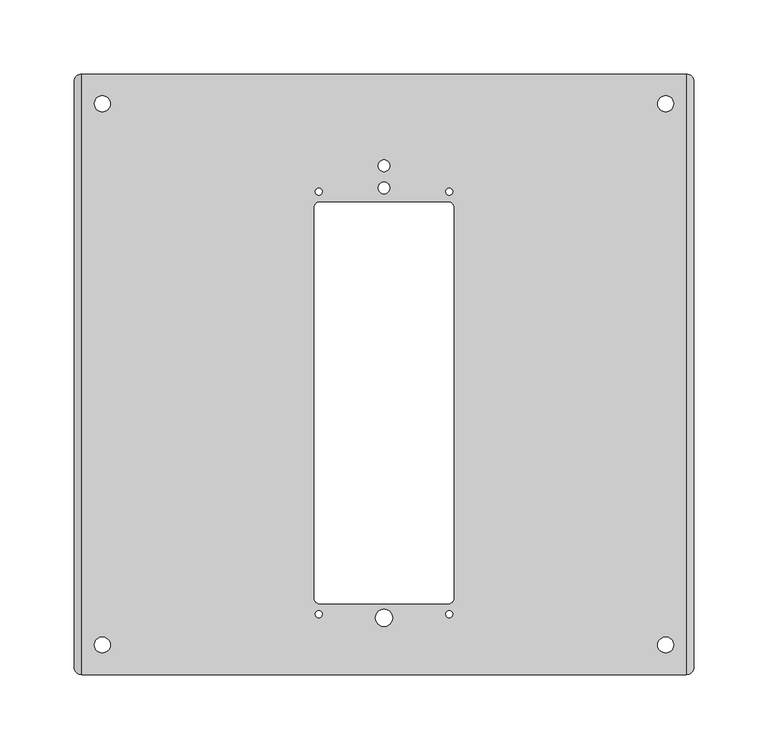
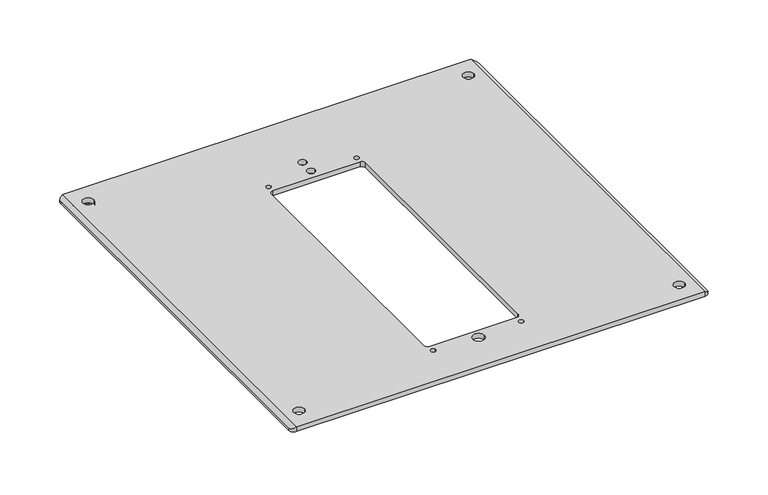
"""IFC4 building model written with IfcOpenShell, lengths in millimetres: proxy geometry."""

from ifc_helpers import new_model, si_unit, point, frame, frame_2d, origin, place, context, project, spatial, polyline, circle_curve, ellipse_curve, trimmed, segment, composite_curve, outline, extrude, source, transform, mapped, element, save
from ifc_brep_helpers import plane_surface, cylinder_surface, revolved_surface, advanced_brep


def electrical_fixtures_a9a97a4d(model_context):
    return source(origin(), model_context, "Body", "SolidModel", [
        extrude(outline(composite_curve([segment(polyline([(-186.7944942, 399.5), (187.1544247, 399.5)]), True, "CONTINUOUS"), segment(trimmed(circle_curve(frame_2d((187.1544247, 382.6544246)), 16.8455754), [point((187.1544247, 399.5))], [point((204.0000001, 382.6544246))], False, "CARTESIAN"), True, "CONTINUOUS"), segment(polyline([(204.0000001, 382.6544246), (204.0000001, 7.75), (197.0000001, 7.75), (197.0000001, 382.58488)]), True, "CONTINUOUS"), segment(trimmed(circle_curve(frame_2d((187.0848801, 382.58488)), 9.91512), [point((197.0000001, 382.58488))], [point((187.0848801, 392.5))], True, "CARTESIAN"), True, "CONTINUOUS"), segment(polyline([(187.0848801, 392.5), (-187.2593153, 392.5)]), True, "CONTINUOUS"), segment(trimmed(circle_curve(frame_2d((-187.2593153, 382.7593151)), 9.7406849), [point((-187.2593153, 392.5))], [point((-197.0000002, 382.7593151))], True, "CARTESIAN"), True, "CONTINUOUS"), segment(polyline([(-197.0000002, 382.7593151), (-197.0000002, 7.75), (-204.0000002, 7.75), (-204.0000002, 382.2944939)]), True, "CONTINUOUS"), segment(trimmed(circle_curve(frame_2d((-186.7944942, 382.2944939)), 17.2055061), [point((-204.0000002, 382.2944939))], [point((-186.7944942, 399.5))], False, "CARTESIAN"), True, "CONTINUOUS")], self_intersect=False)), frame((0.0, 0.0, -4.0000048), z_axis=(0.0, 0.0, 1.0), x_axis=(1.0, 0.0, 0.0)), (0.0, 0.0, 1.0), 4.0000048),
        advanced_brep(
        [(203.9999999, 404.5, 4.9999952), (-204.0000004, 404.5, 4.9999952), (-204.0000002, -0.5, 4.9999952), (203.9999999, -0.5, 4.9999952), (-43.4999999, 318.25, 4.9999952), (43.5000001, 318.25, 4.9999952), (47.0000001, 314.75, 4.9999952), (47.0000001, 50.75, 4.9999952), (43.5000001, 47.25, 4.9999952), (-43.5000001, 47.25, 4.9999952), (-46.9999999, 50.7499997, 4.9999952), (-46.9999999, 314.75, 4.9999952), (-41.6410014, 325.25, 4.9999952), (-46.3589983, 325.25, 4.9999952), (-41.6410014, 40.25, 4.9999952), (-46.3589983, 40.25, 4.9999952), (41.6410014, 325.25, 4.9999952), (46.3589983, 325.25, 4.9999952), (41.6410014, 40.25, 4.9999952), (46.3589983, 40.25, 4.9999952), (4.005377, 327.749528, 4.9999952), (-4.005377, 327.749528, 4.9999952), (4.005377, 342.749528, 4.9999952), (-4.005377, 342.749528, 4.9999952), (5.8296565, 37.749528, 4.9999952), (-5.8296565, 37.749528, 4.9999952), (195.367167, 19.4993931, 4.9999952), (184.6692887, 19.4993931, 4.9999952), (195.367167, 384.5006069, 4.9999952), (184.6692887, 384.5006069, 4.9999952), (-195.367167, 19.4993931, 4.9999952), (-184.6692887, 19.4993931, 4.9999952), (-195.367167, 384.5006069, 4.9999952), (-184.6692887, 384.5006069, 4.9999952), (203.9999999, 404.5, 0.0), (208.9999999, 399.5, 0.0), (208.9999999, 4.5, 0.0), (203.9999999, -0.5, 0.0), (-204.0000001, -0.5, 0.0), (-209.0000001, 4.5, 0.0), (-209.0000001, 399.5000003, 0.0), (-204.0000004, 404.5, 0.0), (43.5000001, 318.25, 0.0), (-43.4999999, 318.25, 0.0), (-46.9999999, 314.75, 0.0), (-46.9999999, 50.7499997, 0.0), (-43.5000001, 47.25, 0.0), (43.5000001, 47.25, 0.0), (47.0000001, 50.75, 0.0), (47.0000001, 314.75, 0.0), (-46.3589983, 325.25, 0.0), (-41.6410014, 325.25, 0.0), (-46.3589983, 40.25, 0.0), (-41.6410014, 40.25, 0.0), (46.3589983, 325.25, 0.0), (41.6410014, 325.25, 0.0), (46.3589983, 40.25, 0.0), (41.6410014, 40.25, 0.0), (-4.005377, 327.749528, 0.0), (4.005377, 327.749528, 0.0), (-4.005377, 342.749528, 0.0), (4.005377, 342.749528, 0.0), (-5.8296565, 37.749528, 0.0), (5.8296565, 37.749528, 0.0), (184.6692887, 19.4993931, 0.0), (195.367167, 19.4993931, 0.0), (184.6692887, 384.5006069, 0.0), (195.367167, 384.5006069, 0.0), (-184.6692887, 19.4993931, 0.0), (-195.367167, 19.4993931, 0.0), (-184.6692887, 384.5006069, 0.0), (-195.367167, 384.5006069, 0.0), (-209.0000001, 399.5000003, 2.1132436), (-209.0000001, 4.5, 2.1132436), (208.9999999, 4.5, 2.1132436), (208.9999999, 399.5, 2.1132436)],
        [
            (0, 1),
            (1, 2),
            (2, 3),
            (3, 0),
            (4, 5),
            (5, 6, circle_curve(frame((43.5000001, 314.75, 4.9999952), z_axis=(0.0, 0.0, -1.0), x_axis=(1.0, 0.0, 0.0)), 3.5)),
            (6, 7),
            (7, 8, circle_curve(frame((43.5000001, 50.75, 4.9999952), z_axis=(0.0, 0.0, -1.0), x_axis=(1.0, 0.0, 0.0)), 3.5)),
            (8, 9),
            (9, 10, circle_curve(frame((-43.5000001, 50.7499997, 4.9999952), z_axis=(0.0, 0.0, -1.0), x_axis=(1.0, 0.0, 0.0)), 3.4999997)),
            (10, 11),
            (11, 4, circle_curve(frame((-43.4999999, 314.75, 4.9999952), z_axis=(0.0, 0.0, -1.0), x_axis=(1.0, 0.0, 0.0)), 3.5)),
            (12, 13, circle_curve(frame((-43.9999999, 325.25, 4.9999952), z_axis=(0.0, 0.0, -1.0), x_axis=(1.0, 0.0, 0.0)), 2.3589985)),
            (13, 12, circle_curve(frame((-43.9999999, 325.25, 4.9999952), z_axis=(0.0, 0.0, -1.0), x_axis=(1.0, 0.0, 0.0)), 2.3589985)),
            (14, 15, circle_curve(frame((-43.9999999, 40.25, 4.9999952), z_axis=(0.0, 0.0, -1.0), x_axis=(1.0, 0.0, 0.0)), 2.3589985)),
            (15, 14, circle_curve(frame((-43.9999999, 40.25, 4.9999952), z_axis=(0.0, 0.0, -1.0), x_axis=(1.0, 0.0, 0.0)), 2.3589985)),
            (16, 17, circle_curve(frame((43.9999999, 325.25, 4.9999952), z_axis=(0.0, 0.0, -1.0), x_axis=(-1.0, 0.0, 0.0)), 2.3589985)),
            (17, 16, circle_curve(frame((43.9999999, 325.25, 4.9999952), z_axis=(0.0, 0.0, -1.0), x_axis=(-1.0, 0.0, 0.0)), 2.3589985)),
            (18, 19, circle_curve(frame((43.9999999, 40.25, 4.9999952), z_axis=(0.0, 0.0, -1.0), x_axis=(-1.0, 0.0, 0.0)), 2.3589985)),
            (19, 18, circle_curve(frame((43.9999999, 40.25, 4.9999952), z_axis=(0.0, 0.0, -1.0), x_axis=(-1.0, 0.0, 0.0)), 2.3589985)),
            (20, 21, circle_curve(frame((0.0, 327.749528, 4.9999952), z_axis=(0.0, 0.0, -1.0), x_axis=(1.0, 0.0, 0.0)), 4.005377)),
            (21, 20, circle_curve(frame((0.0, 327.749528, 4.9999952), z_axis=(0.0, 0.0, -1.0), x_axis=(1.0, 0.0, 0.0)), 4.005377)),
            (22, 23, circle_curve(frame((0.0, 342.749528, 4.9999952), z_axis=(0.0, 0.0, -1.0), x_axis=(1.0, 0.0, 0.0)), 4.005377)),
            (23, 22, circle_curve(frame((0.0, 342.749528, 4.9999952), z_axis=(0.0, 0.0, -1.0), x_axis=(1.0, 0.0, 0.0)), 4.005377)),
            (24, 25, circle_curve(frame((0.0, 37.749528, 4.9999952), z_axis=(0.0, 0.0, -1.0), x_axis=(1.0, 0.0, 0.0)), 5.8296565)),
            (25, 24, circle_curve(frame((0.0, 37.749528, 4.9999952), z_axis=(0.0, 0.0, -1.0), x_axis=(1.0, 0.0, 0.0)), 5.8296565)),
            (26, 27, circle_curve(frame((190.0182279, 19.4993931, 4.9999952), z_axis=(0.0, 0.0, -1.0), x_axis=(1.0, 0.0, 0.0)), 5.3489392)),
            (27, 26, circle_curve(frame((190.0182279, 19.4993931, 4.9999952), z_axis=(0.0, 0.0, -1.0), x_axis=(1.0, 0.0, 0.0)), 5.3489392)),
            (28, 29, circle_curve(frame((190.0182279, 384.5006069, 4.9999952), z_axis=(0.0, 0.0, -1.0), x_axis=(1.0, 0.0, 0.0)), 5.3489392)),
            (29, 28, circle_curve(frame((190.0182279, 384.5006069, 4.9999952), z_axis=(0.0, 0.0, -1.0), x_axis=(1.0, 0.0, 0.0)), 5.3489392)),
            (30, 31, circle_curve(frame((-190.0182279, 19.4993931, 4.9999952), z_axis=(0.0, 0.0, -1.0), x_axis=(-1.0, 0.0, 0.0)), 5.3489392)),
            (31, 30, circle_curve(frame((-190.0182279, 19.4993931, 4.9999952), z_axis=(0.0, 0.0, -1.0), x_axis=(-1.0, 0.0, 0.0)), 5.3489392)),
            (32, 33, circle_curve(frame((-190.0182279, 384.5006069, 4.9999952), z_axis=(0.0, 0.0, -1.0), x_axis=(-1.0, 0.0, 0.0)), 5.3489392)),
            (33, 32, circle_curve(frame((-190.0182279, 384.5006069, 4.9999952), z_axis=(0.0, 0.0, -1.0), x_axis=(-1.0, 0.0, 0.0)), 5.3489392)),
            (34, 35, circle_curve(frame((203.9999999, 399.5, 0.0), z_axis=(0.0, 0.0, -1.0), x_axis=(1.0, 0.0, 0.0)), 5.0)),
            (35, 36),
            (36, 37, circle_curve(frame((203.9999999, 4.5, 0.0), z_axis=(0.0, 0.0, -1.0), x_axis=(1.0, 0.0, 0.0)), 5.0)),
            (37, 38),
            (38, 39, circle_curve(frame((-204.0000001, 4.5, 0.0), z_axis=(0.0, 0.0, -1.0), x_axis=(1.0, 0.0, 0.0)), 5.0)),
            (39, 40),
            (40, 41, circle_curve(frame((-204.0000004, 399.5000003, 0.0), z_axis=(0.0, 0.0, -1.0), x_axis=(1.0, 0.0, 0.0)), 4.9999997)),
            (41, 34),
            (42, 43),
            (43, 44, circle_curve(frame((-43.4999999, 314.75, 0.0), z_axis=(0.0, 0.0, 1.0), x_axis=(1.0, 0.0, 0.0)), 3.5)),
            (44, 45),
            (45, 46, circle_curve(frame((-43.5000001, 50.7499997, 0.0), z_axis=(0.0, 0.0, 1.0), x_axis=(1.0, 0.0, 0.0)), 3.4999997)),
            (46, 47),
            (47, 48, circle_curve(frame((43.5000001, 50.75, 0.0), z_axis=(0.0, 0.0, 1.0), x_axis=(1.0, 0.0, 0.0)), 3.5)),
            (48, 49),
            (49, 42, circle_curve(frame((43.5000001, 314.75, 0.0), z_axis=(0.0, 0.0, 1.0), x_axis=(1.0, 0.0, 0.0)), 3.5)),
            (50, 51, circle_curve(frame((-43.9999999, 325.25, 0.0), z_axis=(0.0, 0.0, 1.0), x_axis=(1.0, 0.0, 0.0)), 2.3589985)),
            (51, 50, circle_curve(frame((-43.9999999, 325.25, 0.0), z_axis=(0.0, 0.0, 1.0), x_axis=(1.0, 0.0, 0.0)), 2.3589985)),
            (52, 53, circle_curve(frame((-43.9999999, 40.25, 0.0), z_axis=(0.0, 0.0, 1.0), x_axis=(1.0, 0.0, 0.0)), 2.3589985)),
            (53, 52, circle_curve(frame((-43.9999999, 40.25, 0.0), z_axis=(0.0, 0.0, 1.0), x_axis=(1.0, 0.0, 0.0)), 2.3589985)),
            (54, 55, circle_curve(frame((43.9999999, 325.25, 0.0), z_axis=(0.0, 0.0, 1.0), x_axis=(-1.0, 0.0, 0.0)), 2.3589985)),
            (55, 54, circle_curve(frame((43.9999999, 325.25, 0.0), z_axis=(0.0, 0.0, 1.0), x_axis=(-1.0, 0.0, 0.0)), 2.3589985)),
            (56, 57, circle_curve(frame((43.9999999, 40.25, 0.0), z_axis=(0.0, 0.0, 1.0), x_axis=(-1.0, 0.0, 0.0)), 2.3589985)),
            (57, 56, circle_curve(frame((43.9999999, 40.25, 0.0), z_axis=(0.0, 0.0, 1.0), x_axis=(-1.0, 0.0, 0.0)), 2.3589985)),
            (58, 59, circle_curve(frame((0.0, 327.749528, 0.0), z_axis=(0.0, 0.0, 1.0), x_axis=(1.0, 0.0, 0.0)), 4.005377)),
            (59, 58, circle_curve(frame((0.0, 327.749528, 0.0), z_axis=(0.0, 0.0, 1.0), x_axis=(1.0, 0.0, 0.0)), 4.005377)),
            (60, 61, circle_curve(frame((0.0, 342.749528, 0.0), z_axis=(0.0, 0.0, 1.0), x_axis=(1.0, 0.0, 0.0)), 4.005377)),
            (61, 60, circle_curve(frame((0.0, 342.749528, 0.0), z_axis=(0.0, 0.0, 1.0), x_axis=(1.0, 0.0, 0.0)), 4.005377)),
            (62, 63, circle_curve(frame((0.0, 37.749528, 0.0), z_axis=(0.0, 0.0, 1.0), x_axis=(1.0, 0.0, 0.0)), 5.8296565)),
            (63, 62, circle_curve(frame((0.0, 37.749528, 0.0), z_axis=(0.0, 0.0, 1.0), x_axis=(1.0, 0.0, 0.0)), 5.8296565)),
            (64, 65, circle_curve(frame((190.0182279, 19.4993931, 0.0), z_axis=(0.0, 0.0, 1.0), x_axis=(1.0, 0.0, 0.0)), 5.3489392)),
            (65, 64, circle_curve(frame((190.0182279, 19.4993931, 0.0), z_axis=(0.0, 0.0, 1.0), x_axis=(1.0, 0.0, 0.0)), 5.3489392)),
            (66, 67, circle_curve(frame((190.0182279, 384.5006069, 0.0), z_axis=(0.0, 0.0, 1.0), x_axis=(1.0, 0.0, 0.0)), 5.3489392)),
            (67, 66, circle_curve(frame((190.0182279, 384.5006069, 0.0), z_axis=(0.0, 0.0, 1.0), x_axis=(1.0, 0.0, 0.0)), 5.3489392)),
            (68, 69, circle_curve(frame((-190.0182279, 19.4993931, 0.0), z_axis=(0.0, 0.0, 1.0), x_axis=(-1.0, 0.0, 0.0)), 5.3489392)),
            (69, 68, circle_curve(frame((-190.0182279, 19.4993931, 0.0), z_axis=(0.0, 0.0, 1.0), x_axis=(-1.0, 0.0, 0.0)), 5.3489392)),
            (70, 71, circle_curve(frame((-190.0182279, 384.5006069, 0.0), z_axis=(0.0, 0.0, 1.0), x_axis=(-1.0, 0.0, 0.0)), 5.3489392)),
            (71, 70, circle_curve(frame((-190.0182279, 384.5006069, 0.0), z_axis=(0.0, 0.0, 1.0), x_axis=(-1.0, 0.0, 0.0)), 5.3489392)),
            (0, 34),
            (41, 1),
            (40, 72),
            (72, 1, ellipse_curve(frame((-204.0000004, 399.5000003, 4.9999952), z_axis=(0.5000000503422332, 0.0, -0.8660253747193348), x_axis=(0.8660253747193347, 0.0, 0.5000000503422332)), 5.7735026, 4.9999997)),
            (39, 73),
            (73, 72),
            (38, 2),
            (2, 73, ellipse_curve(frame((-204.0000001, 4.5, 4.9999953), z_axis=(0.5000000503422332, 0.0, -0.8660253747193348), x_axis=(0.8660253747193347, 0.0, 0.5000000503422332)), 5.7735029, 5.0)),
            (37, 3),
            (36, 74),
            (74, 3, ellipse_curve(frame((203.9999999, 4.5, 4.9999953), z_axis=(-0.5000000503422511, 0.0, -0.8660253747193245), x_axis=(-0.8660253747193245, 0.0, 0.5000000503422509)), 5.7735029, 5.0)),
            (35, 75),
            (75, 74),
            (0, 75, ellipse_curve(frame((203.9999999, 399.5, 4.9999953), z_axis=(-0.5000000503422511, 0.0, -0.8660253747193245), x_axis=(-0.8660253747193245, 0.0, 0.5000000503422509)), 5.7735029, 5.0)),
            (4, 43),
            (42, 5),
            (11, 44),
            (10, 45),
            (9, 46),
            (8, 47),
            (7, 48),
            (6, 49),
            (12, 51),
            (50, 13),
            (14, 53),
            (52, 15),
            (16, 55),
            (54, 17),
            (18, 57),
            (56, 19),
            (20, 59),
            (58, 21),
            (22, 61),
            (60, 23),
            (24, 63),
            (62, 25),
            (26, 65),
            (64, 27),
            (28, 67),
            (66, 29),
            (30, 69),
            (68, 31),
            (32, 71),
            (70, 33),
        ],
        [
            plane_surface(frame((-85.0000001, 404.5, 4.9999952), z_axis=(0.0, 0.0, 1.0), x_axis=(-1.0, 0.0, 0.0))),
            plane_surface(frame((-85.0000001, 404.5, 0.0), z_axis=(0.0, 0.0, -1.0), x_axis=(1.0, 0.0, 0.0))),
            plane_surface(frame((203.9999999, 404.5, 4.9999952), z_axis=(0.0, 1.0, 0.0), x_axis=(0.0, 0.0, -1.0))),
            cylinder_surface(frame((-204.0000004, 399.5000003, 0.0), z_axis=(0.0, 0.0, 1.0), x_axis=(1.0, 0.0, 0.0)), 4.9999997),
            plane_surface(frame((-209.0000001, 399.5000003, 4.9999952), z_axis=(-1.0, 0.0, 0.0), x_axis=(0.0, 0.0, -1.0))),
            cylinder_surface(frame((-204.0000001, 4.5, 0.0), z_axis=(0.0, 0.0, 1.0), x_axis=(1.0, 0.0, 0.0)), 5.0),
            plane_surface(frame((-204.0000001, -0.5, 4.9999952), z_axis=(0.0, -1.0, 0.0), x_axis=(0.0, 0.0, -1.0))),
            cylinder_surface(frame((203.9999999, 4.5, 0.0), z_axis=(0.0, 0.0, 1.0), x_axis=(1.0, 0.0, 0.0)), 5.0),
            plane_surface(frame((208.9999999, 4.5, 4.9999952), z_axis=(1.0, 0.0, 0.0), x_axis=(0.0, 0.0, -1.0))),
            cylinder_surface(frame((203.9999999, 399.5, 0.0), z_axis=(0.0, 0.0, 1.0), x_axis=(1.0, 0.0, 0.0)), 5.0),
            plane_surface(frame((-209.0000001, -0.5, 2.1132436), z_axis=(-0.5000000503422332, 0.0, 0.8660253747193348), x_axis=(0.0, 1.0, 0.0))),
            plane_surface(frame((204.0000001, -0.5, 4.9999952), z_axis=(0.5000000503422511, 0.0, 0.8660253747193245), x_axis=(0.0, 1.0, 0.0))),
            plane_surface(frame((43.5000001, 318.25, 4.9999952), z_axis=(0.0, -1.0, 0.0), x_axis=(0.0, 0.0, -1.0))),
            revolved_surface(polyline([(-39.9999999, 314.75, 4.9999952), (-39.9999999, 314.75, 0.0)]), (-43.4999999, 314.75, 0.0), (0.0, 0.0, 1.0)),
            plane_surface(frame((-46.9999999, 314.75, 4.9999952), z_axis=(1.0, 0.0, 0.0), x_axis=(0.0, 0.0, -1.0))),
            revolved_surface(polyline([(-40.000000400000005, 50.7499997, 4.9999952), (-40.000000400000005, 50.7499997, 0.0)]), (-43.5000001, 50.7499997, 0.0), (0.0, 0.0, 1.0)),
            plane_surface(frame((-43.5000001, 47.25, 4.9999952), z_axis=(0.0, 1.0, 0.0), x_axis=(0.0, 0.0, -1.0))),
            revolved_surface(polyline([(47.0000001, 50.75, 4.9999952), (47.0000001, 50.75, 0.0)]), (43.5000001, 50.75, 0.0), (0.0, 0.0, 1.0)),
            plane_surface(frame((47.0000001, 50.75, 4.9999952), z_axis=(-1.0, 0.0, 0.0), x_axis=(0.0, 0.0, -1.0))),
            revolved_surface(polyline([(47.0000001, 314.75, 4.9999952), (47.0000001, 314.75, 0.0)]), (43.5000001, 314.75, 0.0), (0.0, 0.0, 1.0)),
            revolved_surface(polyline([(-41.6410014, 325.25, 4.9999952), (-41.6410014, 325.25, 0.0)]), (-43.9999999, 325.25, 0.0), (0.0, 0.0, 1.0)),
            revolved_surface(polyline([(-41.6410014, 40.25, 4.9999952), (-41.6410014, 40.25, 0.0)]), (-43.9999999, 40.25, 0.0), (0.0, 0.0, 1.0)),
            revolved_surface(polyline([(41.6410014, 325.25, 4.9999952), (41.6410014, 325.25, 0.0)]), (43.9999999, 325.25, 0.0), (0.0, 0.0, 1.0)),
            revolved_surface(polyline([(41.6410014, 40.25, 4.9999952), (41.6410014, 40.25, 0.0)]), (43.9999999, 40.25, 0.0), (0.0, 0.0, 1.0)),
            revolved_surface(polyline([(4.005377, 327.749528, 4.9999952), (4.005377, 327.749528, 0.0)]), (0.0, 327.749528, 0.0), (0.0, 0.0, 1.0)),
            revolved_surface(polyline([(4.005377, 342.749528, 4.9999952), (4.005377, 342.749528, 0.0)]), (0.0, 342.749528, 0.0), (0.0, 0.0, 1.0)),
            revolved_surface(polyline([(5.8296565, 37.749528, 4.9999952), (5.8296565, 37.749528, 0.0)]), (0.0, 37.749528, 0.0), (0.0, 0.0, 1.0)),
            revolved_surface(polyline([(195.3671671, 19.4993931, 4.9999952), (195.3671671, 19.4993931, 0.0)]), (190.0182279, 19.4993931, 0.0), (0.0, 0.0, 1.0)),
            revolved_surface(polyline([(195.3671671, 384.5006069, 4.9999952), (195.3671671, 384.5006069, 0.0)]), (190.0182279, 384.5006069, 0.0), (0.0, 0.0, 1.0)),
            revolved_surface(polyline([(-195.3671671, 19.4993931, 4.9999952), (-195.3671671, 19.4993931, 0.0)]), (-190.0182279, 19.4993931, 0.0), (0.0, 0.0, 1.0)),
            revolved_surface(polyline([(-195.3671671, 384.5006069, 4.9999952), (-195.3671671, 384.5006069, 0.0)]), (-190.0182279, 384.5006069, 0.0), (0.0, 0.0, 1.0)),
        ],
        [
            (0, [[1, 2, 3, 4], [5, 6, 7, 8, 9, 10, 11, 12], [13, 14], [15, 16], [17, 18], [19, 20], [21, 22], [23, 24], [25, 26], [27, 28], [29, 30], [31, 32], [33, 34]]),
            (1, [[35, 36, 37, 38, 39, 40, 41, 42], [43, 44, 45, 46, 47, 48, 49, 50], [51, 52], [53, 54], [55, 56], [57, 58], [59, 60], [61, 62], [63, 64], [65, 66], [67, 68], [69, 70], [71, 72]]),
            (2, [[-1, 73, -42, 74]]),
            (3, [[-41, 75, 76, -74]]),
            (4, [[-40, 77, 78, -75]]),
            (5, [[-39, 79, 80, -77]]),
            (6, [[-3, -79, -38, 81]]),
            (7, [[-37, 82, 83, -81]]),
            (8, [[-36, 84, 85, -82]]),
            (9, [[-35, -73, 86, -84]]),
            (10, [[-2, -76, -78, -80]]),
            (11, [[-4, -83, -85, -86]]),
            (12, [[87, -43, 88, -5]]),
            (13, [[-87, -12, 89, -44]]),
            (14, [[-89, -11, 90, -45]]),
            (15, [[-90, -10, 91, -46]]),
            (16, [[-91, -9, 92, -47]]),
            (17, [[-92, -8, 93, -48]]),
            (18, [[-93, -7, 94, -49]]),
            (19, [[-88, -50, -94, -6]]),
            (20, [[95, -51, 96, -13]]),
            (20, [[-95, -14, -96, -52]]),
            (21, [[97, -53, 98, -15]]),
            (21, [[-97, -16, -98, -54]]),
            (22, [[99, -55, 100, -17]]),
            (22, [[-99, -18, -100, -56]]),
            (23, [[101, -57, 102, -19]]),
            (23, [[-101, -20, -102, -58]]),
            (24, [[103, -59, 104, -21]]),
            (24, [[-103, -22, -104, -60]]),
            (25, [[105, -61, 106, -23]]),
            (25, [[-105, -24, -106, -62]]),
            (26, [[107, -63, 108, -25]]),
            (26, [[-107, -26, -108, -64]]),
            (27, [[109, -65, 110, -27]]),
            (27, [[-109, -28, -110, -66]]),
            (28, [[111, -67, 112, -29]]),
            (28, [[-111, -30, -112, -68]]),
            (29, [[113, -69, 114, -31]]),
            (29, [[-113, -32, -114, -70]]),
            (30, [[115, -71, 116, -33]]),
            (30, [[-115, -34, -116, -72]]),
        ],
    ),
    ])


if __name__ == "__main__":
    model = new_model("IFC4")
    model_context = context("Model", 3, world=origin())
    ifc_project = project(units=[si_unit("LENGTHUNIT", "METRE", prefix="MILLI")], contexts=[model_context])
    site = spatial("IfcSite", under=ifc_project)
    building = spatial("IfcBuilding", under=site)
    placement = place(None, origin())
    electrical_fixtures_shape = electrical_fixtures_a9a97a4d(model_context)
    element("IfcBuildingElementProxy", 1, Name="Electrical Fixtures", at=placement, inside=building, context=model_context, shape_type="MappedRepresentation", body=[
        mapped(electrical_fixtures_shape, transform((0.0, 0.0, 0.0), x_axis=(1.0, 0.0, 0.0), y_axis=(0.0, 1.0, 0.0), z_axis=(0.0, 0.0, 1.0))),
    ])
    save(model, "model.ifc")
